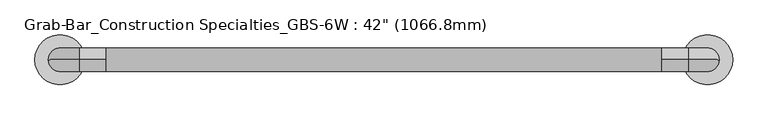
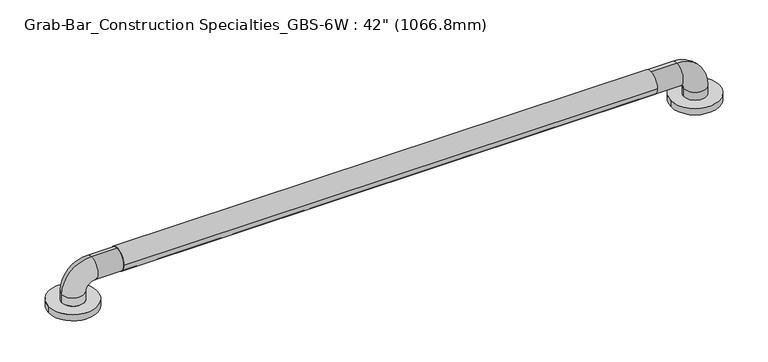
"""IFC4 building model written with IfcOpenShell, lengths in millimetres: proxy geometry."""

import ifcopenshell
import ifcopenshell.guid

model = None  # the IFC model being written
_history = None  # IfcOwnerHistory: only IFC2X3 demands one
_inside = {}  # id of a spatial element -> (the spatial element, [elements in it])
_under = {}  # id of a project, library or spatial element -> (it, [spatial elements below it])
_declared = {}  # id of a project -> (the project, [libraries it declares])
_typed = {}  # id of a type object -> (the type object, [elements of that type])
_made_of = {}  # id of a material, layer set ... -> (it, [elements and type objects made of it])


def new_model(schema):
    """Start an empty IFC model of exactly this schema.

    Asked for "IFC4X3", IfcOpenShell would pick the latest addendum, in which some entities
    have other attributes; the version numbers below select the first issue.
    IFC2X3 requires an IfcOwnerHistory on every rooted entity: one is made here for all.
    """
    global model, _history
    if schema == "IFC4X3":
        model = ifcopenshell.file(schema_version=(4, 3, 0, 0))
    else:
        model = ifcopenshell.file(schema=schema)
    _inside.clear()
    _under.clear()
    _declared.clear()
    _typed.clear()
    _made_of.clear()
    _history = None
    if model.schema == "IFC2X3":
        org = make("IfcOrganization", Name="unknown")
        user = make(
            "IfcPersonAndOrganization",
            ThePerson=make("IfcPerson", FamilyName="unknown"),
            TheOrganization=org,
        )
        app = make(
            "IfcApplication",
            ApplicationDeveloper=org,
            Version="unknown",
            ApplicationFullName="unknown",
            ApplicationIdentifier="unknown",
        )
        _history = make(
            "IfcOwnerHistory",
            OwningUser=user,
            OwningApplication=app,
            ChangeAction="ADDED",
            CreationDate=0,
        )
    return model


def make(cls, **values):
    """One entity of the class cls with the attributes given. An attribute that is None is left unset."""
    return model.create_entity(
        cls, **{name: value for name, value in values.items() if value is not None}
    )


def rooted(cls, **values):
    """An entity with a GlobalId (a new one), such as an element, a storey or a relation."""
    return make(cls, GlobalId=ifcopenshell.guid.new(), OwnerHistory=_history, **values)


def si_unit(unit_type, name, prefix=None):
    """IfcSIUnit, for example si_unit("LENGTHUNIT", "METRE", prefix="MILLI")."""
    return make("IfcSIUnit", UnitType=unit_type, Prefix=prefix, Name=name)


def assignment(units):
    """IfcUnitAssignment: the units of a project."""
    return None if units is None else make("IfcUnitAssignment", Units=units)


def point(xyz):
    """IfcCartesianPoint."""
    return None if xyz is None else make("IfcCartesianPoint", Coordinates=xyz)


def direction(xyz):
    """IfcDirection."""
    return None if xyz is None else make("IfcDirection", DirectionRatios=xyz)


def frame(location, z_axis=None, x_axis=None):
    """IfcAxis2Placement3D, a coordinate frame: its origin and axes. An axis left out is left unset."""
    return make(
        "IfcAxis2Placement3D",
        Location=point(location),
        Axis=direction(z_axis),
        RefDirection=direction(x_axis),
    )


def frame_2d(location, x_axis=None):
    """IfcAxis2Placement2D, a coordinate frame in the plane: its origin and x axis."""
    return make(
        "IfcAxis2Placement2D", Location=point(location), RefDirection=direction(x_axis)
    )


def origin():
    """The frame at (0, 0, 0) with its axes left unset."""
    return frame((0.0, 0.0, 0.0))


def origin_with_axes():
    """The frame at (0, 0, 0) with the z axis (0, 0, 1) and the x axis (1, 0, 0) written out."""
    return frame((0.0, 0.0, 0.0), z_axis=(0.0, 0.0, 1.0), x_axis=(1.0, 0.0, 0.0))


def place(relative_to, where):
    """IfcLocalPlacement: puts the frame where relative to a parent placement (None: the world)."""
    return make(
        "IfcLocalPlacement", PlacementRelTo=relative_to, RelativePlacement=where
    )


def context(
    kind, dimensions, precision=None, world=None, true_north=None, identifier=None
):
    """IfcGeometricRepresentationContext, for example the 3D "Model" context."""
    return make(
        "IfcGeometricRepresentationContext",
        ContextIdentifier=identifier,
        ContextType=kind,
        CoordinateSpaceDimension=dimensions,
        Precision=precision,
        WorldCoordinateSystem=world,
        TrueNorth=true_north,
    )


def project(units=None, contexts=None):
    """IfcProject with its units and contexts."""
    return rooted(
        "IfcProject",
        Name="project",
        RepresentationContexts=contexts,
        UnitsInContext=assignment(units),
    )


def spatial(cls, under=None, at=None, **own):
    """A site, building, storey or space (cls), placed at a placement, below another one or the project."""
    s = rooted(cls, ObjectPlacement=at, **own)
    if under is not None:
        _under.setdefault(under.id(), (under, []))[1].append(s)
    return s


def circle_curve(where, radius):
    """IfcCircle in the frame where."""
    return make("IfcCircle", Position=where, Radius=radius)


def ellipse_curve(where, semi_axis1, semi_axis2):
    """IfcEllipse in the frame where."""
    return make(
        "IfcEllipse", Position=where, SemiAxis1=semi_axis1, SemiAxis2=semi_axis2
    )


def trimmed(basis, trim1, trim2, sense, master):
    """IfcTrimmedCurve: the piece of a basis curve between two trims."""
    return make(
        "IfcTrimmedCurve",
        BasisCurve=basis,
        Trim1=trim1,
        Trim2=trim2,
        SenseAgreement=sense,
        MasterRepresentation=master,
    )


def segment(curve, same_sense, transition):
    """IfcCompositeCurveSegment."""
    return make(
        "IfcCompositeCurveSegment",
        Transition=transition,
        SameSense=same_sense,
        ParentCurve=curve,
    )


def composite_curve(segments, self_intersect=None):
    """IfcCompositeCurve: segments joined end to end."""
    return make("IfcCompositeCurve", Segments=segments, SelfIntersect=self_intersect)


def outline(outer, holes=None, kind="AREA"):
    """IfcArbitraryClosedProfileDef: a profile drawn as a closed curve; with holes, ...WithVoids."""
    if holes is None:
        return make("IfcArbitraryClosedProfileDef", ProfileType=kind, OuterCurve=outer)
    return make(
        "IfcArbitraryProfileDefWithVoids",
        ProfileType=kind,
        OuterCurve=outer,
        InnerCurves=holes,
    )


def extrude(swept, where, along, depth):
    """IfcExtrudedAreaSolid: the profile swept, set in the frame where, extruded along a direction by depth."""
    return make(
        "IfcExtrudedAreaSolid",
        SweptArea=swept,
        Position=where,
        ExtrudedDirection=direction(along),
        Depth=depth,
    )


def shape(context_of_items, identifier, shape_type, items):
    """IfcShapeRepresentation: the items that make up one representation, for example the "Body"."""
    return make(
        "IfcShapeRepresentation",
        ContextOfItems=context_of_items,
        RepresentationIdentifier=identifier,
        RepresentationType=shape_type,
        Items=items,
    )


def source(mapping_origin, context_of_items, identifier, shape_type, items):
    """IfcRepresentationMap: a shape defined once, which mapped items show again and again."""
    return make(
        "IfcRepresentationMap",
        MappingOrigin=mapping_origin,
        MappedRepresentation=shape(context_of_items, identifier, shape_type, items),
    )


def transform(
    local_origin,
    x_axis=None,
    y_axis=None,
    z_axis=None,
    scale=None,
    scale2=None,
    scale3=None,
    uniform=True,
):
    """IfcCartesianTransformationOperator3D, or its non-uniform kind. x_axis, y_axis, z_axis: its Axis1, 2, 3."""
    if uniform:
        return make(
            "IfcCartesianTransformationOperator3D",
            Axis1=direction(x_axis),
            Axis2=direction(y_axis),
            LocalOrigin=point(local_origin),
            Scale=scale,
            Axis3=direction(z_axis),
        )
    return make(
        "IfcCartesianTransformationOperator3DnonUniform",
        Axis1=direction(x_axis),
        Axis2=direction(y_axis),
        LocalOrigin=point(local_origin),
        Scale=scale,
        Axis3=direction(z_axis),
        Scale2=scale2,
        Scale3=scale3,
    )


def mapped(mapping_source, mapping_target):
    """IfcMappedItem: shows the shape of a source again, moved by a transform."""
    return make(
        "IfcMappedItem", MappingSource=mapping_source, MappingTarget=mapping_target
    )


def made_of(thing, what):
    """Note that an element or type object is made of a material, layer set ...; save() writes the relation."""
    if what is not None:
        _made_of.setdefault(what.id(), (what, []))[1].append(thing)
    return thing


def element(
    cls,
    number,
    at=None,
    inside=None,
    cuts=None,
    type_object=None,
    material=None,
    context=None,
    identifier="Body",
    shape_type=None,
    held_by="IfcProductDefinitionShape",
    body=None,
    shapes=None,
    **own,
):
    """One element of the class cls, such as IfcWall. Its Tag is "e" and its number.

    at: its placement. inside: the storey or other place that contains it. cuts: it is an
    opening in that element (IfcRelVoidsElement). A single representation is given by context,
    identifier, shape_type and body (its items); several are given by shapes. held_by: the class
    of the entity that holds the representations. save() writes the other relations.
    """
    e = rooted(cls, Tag="e%d" % number, ObjectPlacement=at, **own)
    if body is not None:
        shapes = [shape(context, identifier, shape_type, body)]
    if shapes is not None:
        e.Representation = make(held_by, Representations=shapes)
    if inside is not None:
        _inside.setdefault(inside.id(), (inside, []))[1].append(e)
    if cuts is not None:
        rooted(
            "IfcRelVoidsElement", RelatingBuildingElement=cuts, RelatedOpeningElement=e
        )
    if type_object is not None:
        _typed.setdefault(type_object.id(), (type_object, []))[1].append(e)
    return made_of(e, material)


def aggregate(whole, parts):
    """IfcRelAggregates: a whole, such as a stair, and the parts it consists of."""
    return rooted("IfcRelAggregates", RelatingObject=whole, RelatedObjects=parts)


def save(model, path):
    """Write the relations noted so far, then the file.

    IfcRelAggregates (storeys below a building ...), IfcRelContainedInSpatialStructure (elements
    in a storey), IfcRelDefinesByType, IfcRelAssociatesMaterial and IfcRelDeclares: one each for
    every whole, place, type object, material and project.
    """
    for whole, parts in _under.values():
        aggregate(whole, parts)
    for where, things in _inside.values():
        rooted(
            "IfcRelContainedInSpatialStructure",
            RelatedElements=things,
            RelatingStructure=where,
        )
    for kind, things in _typed.values():
        rooted("IfcRelDefinesByType", RelatedObjects=things, RelatingType=kind)
    for what, things in _made_of.values():
        rooted("IfcRelAssociatesMaterial", RelatedObjects=things, RelatingMaterial=what)
    for by, libraries in _declared.values():
        rooted("IfcRelDeclares", RelatingContext=by, RelatedDefinitions=libraries)
    model.write(path)


def plane_surface(at):
    """IfcPlane: the flat surface through the origin of the frame at, square to its z axis."""
    return make("IfcPlane", Position=at)


def cylinder_surface(at, radius):
    """IfcCylindricalSurface: all points at the distance radius from the z axis of the frame at."""
    return make("IfcCylindricalSurface", Position=at, Radius=radius)


def revolved_surface(curve, axis_point, axis_direction):
    """IfcSurfaceOfRevolution: the curve turned about the line through axis_point along axis_direction."""
    return make(
        "IfcSurfaceOfRevolution",
        SweptCurve=make("IfcArbitraryOpenProfileDef", ProfileType="CURVE", Curve=curve),
        AxisPosition=make("IfcAxis1Placement", Location=point(axis_point), Axis=direction(axis_direction)),
    )


def advanced_brep(points, edges, surfaces, faces):
    """IfcAdvancedBrep: a solid bounded by faces that lie on surfaces and meet in shared edges.

    An edge is (start, end): straight between two places in points (the first is 0);
    or (start, end, curve); or (start, end, curve, False) where it runs against its curve.
    A face is (place in surfaces, loops), or (place, loops, False) where it looks against
    its surface's normal. A loop lists edges by number (the first is 1), with a minus sign
    where the edge is run from its end to its start. The first loop is the outer one.
    """
    corners = [point(p) for p in points]
    vertices = [make("IfcVertexPoint", VertexGeometry=c) for c in corners]
    made = []
    for start, end, *more in edges:
        made.append(
            make(
                "IfcEdgeCurve",
                EdgeStart=vertices[start],
                EdgeEnd=vertices[end],
                EdgeGeometry=more[0] if more else make("IfcPolyline", Points=[corners[start], corners[end]]),
                SameSense=more[1] if len(more) > 1 else True,
            )
        )
    hull = []
    for where, loops, *sense in faces:
        bounds = []
        for j, loop in enumerate(loops):
            ring = [make("IfcOrientedEdge", EdgeElement=made[abs(k) - 1], Orientation=k > 0) for k in loop]
            bounds.append(
                make(
                    "IfcFaceOuterBound" if j == 0 else "IfcFaceBound",
                    Bound=make("IfcEdgeLoop", EdgeList=ring),
                    Orientation=True,
                )
            )
        hull.append(make("IfcAdvancedFace", Bounds=bounds, FaceSurface=surfaces[where], SameSense=sense[0] if sense else True))
    return make("IfcAdvancedBrep", Outer=make("IfcClosedShell", CfsFaces=hull))


def proxy_c641521e(model_context):
    return source(origin(), model_context, "Body", "SolidModel", [
        extrude(outline(composite_curve([segment(trimmed(circle_curve(frame_2d((0.0005302, 57.1682565)), 19.4479458), [point((-19.4474155, 57.1682565))], [point((19.448476, 57.1682565))], False, "CARTESIAN"), True, "CONTINUOUS"), segment(trimmed(circle_curve(frame_2d((0.0005302, 57.1682565)), 19.4479458), [point((19.448476, 57.1682565))], [point((-19.4474155, 57.1682565))], False, "CARTESIAN"), True, "CONTINUOUS")], self_intersect=False)), frame((76.2, 0.0, 0.0), z_axis=(1.0, 0.0, 0.0), x_axis=(0.0, 1.0, 0.0)), (0.0, 0.0, 1.0), 914.4),
        advanced_brep(
        [(-41.3010856, 0.0, 0.0), (41.3010856, 0.0, 0.0), (1025.4989144, 0.0, 0.0), (1108.1010856, 0.0, 0.0), (19.05, 0.0, 25.4), (-19.05, 0.0, 25.4), (-19.05, 0.0, 11.1125), (19.05, 0.0, 11.1125), (31.75, 0.0, 38.1), (31.75, 0.0, 76.2), (1035.05, 0.0, 38.1), (1035.05, 0.0, 76.2), (1047.75, 0.0, 25.4), (1085.85, 0.0, 25.4), (1047.75, 0.0, 11.1125), (1085.85, 0.0, 11.1125), (-41.3010856, 0.0, 11.1125), (41.3010856, 0.0, 11.1125), (1025.4989144, 0.0, 11.1125), (1108.1010856, 0.0, 11.1125)],
        [
            (0, 1, circle_curve(frame((0.0, 0.0, 0.0), z_axis=(0.0, 0.0, -1.0), x_axis=(1.0, 0.0, 0.0)), 41.3010856)),
            (1, 0, circle_curve(frame((0.0, 0.0, 0.0), z_axis=(0.0, 0.0, -1.0), x_axis=(1.0, 0.0, 0.0)), 41.3010856)),
            (2, 3, circle_curve(frame((1066.8, 0.0, 0.0), z_axis=(0.0, 0.0, -1.0), x_axis=(1.0, 0.0, 0.0)), 41.3010856)),
            (3, 2, circle_curve(frame((1066.8, 0.0, 0.0), z_axis=(0.0, 0.0, -1.0), x_axis=(1.0, 0.0, 0.0)), 41.3010856)),
            (4, 5, circle_curve(frame((0.0, 0.0, 25.4), z_axis=(0.0, 0.0, -1.0), x_axis=(-1.0, 0.0, 0.0)), 19.05)),
            (5, 6),
            (6, 7, circle_curve(frame((0.0, 0.0, 11.1125), z_axis=(0.0, 0.0, 1.0), x_axis=(-1.0, 0.0, 0.0)), 19.05)),
            (7, 4),
            (5, 4, circle_curve(frame((0.0, 0.0, 25.4), z_axis=(0.0, 0.0, -1.0), x_axis=(-1.0, 0.0, 0.0)), 19.05)),
            (7, 6, circle_curve(frame((0.0, 0.0, 11.1125), z_axis=(0.0, 0.0, 1.0), x_axis=(-1.0, 0.0, 0.0)), 19.05)),
            (4, 8, circle_curve(frame((31.75, 0.0, 25.4), z_axis=(0.0, 1.0, 0.0), x_axis=(-1.0, 0.0, 0.0)), 12.7)),
            (8, 9, circle_curve(frame((31.75, 0.0, 57.15), z_axis=(-1.0, 0.0, 0.0), x_axis=(0.0, 0.0, 1.0)), 19.05)),
            (9, 5, circle_curve(frame((31.75, 0.0, 25.4), z_axis=(0.0, -1.0, 0.0), x_axis=(-1.0, 0.0, 0.0)), 50.8)),
            (9, 8, circle_curve(frame((31.75, 0.0, 57.15), z_axis=(-1.0, 0.0, 0.0), x_axis=(0.0, 0.0, 1.0)), 19.05)),
            (8, 10),
            (10, 11, circle_curve(frame((1035.05, 0.0, 57.15), z_axis=(-1.0, 0.0, 0.0), x_axis=(0.0, 0.0, 1.0)), 19.05)),
            (11, 9),
            (11, 10, circle_curve(frame((1035.05, 0.0, 57.15), z_axis=(-1.0, 0.0, 0.0), x_axis=(0.0, 0.0, 1.0)), 19.05)),
            (10, 12, circle_curve(frame((1035.05, 0.0, 25.4), z_axis=(0.0, 1.0, 0.0), x_axis=(0.0, 0.0, 1.0)), 12.7)),
            (12, 13, circle_curve(frame((1066.8, 0.0, 25.4), z_axis=(0.0, 0.0, 1.0), x_axis=(1.0, 0.0, 0.0)), 19.05)),
            (13, 11, circle_curve(frame((1035.05, 0.0, 25.4), z_axis=(0.0, -1.0, 0.0), x_axis=(0.0, 0.0, 1.0)), 50.8)),
            (13, 12, circle_curve(frame((1066.8, 0.0, 25.4), z_axis=(0.0, 0.0, 1.0), x_axis=(1.0, 0.0, 0.0)), 19.05)),
            (12, 14),
            (14, 15, circle_curve(frame((1066.8, 0.0, 11.1125), z_axis=(0.0, 0.0, 1.0), x_axis=(1.0, 0.0, 0.0)), 19.05)),
            (15, 13),
            (15, 14, circle_curve(frame((1066.8, 0.0, 11.1125), z_axis=(0.0, 0.0, 1.0), x_axis=(1.0, 0.0, 0.0)), 19.05)),
            (16, 17, circle_curve(frame((0.0, 0.0, 11.1125), z_axis=(0.0, 0.0, 1.0), x_axis=(1.0, 0.0, 0.0)), 41.3010856)),
            (17, 16, circle_curve(frame((0.0, 0.0, 11.1125), z_axis=(0.0, 0.0, 1.0), x_axis=(1.0, 0.0, 0.0)), 41.3010856)),
            (18, 19, circle_curve(frame((1066.8, 0.0, 11.1125), z_axis=(0.0, 0.0, 1.0), x_axis=(1.0, 0.0, 0.0)), 41.3010856)),
            (19, 18, circle_curve(frame((1066.8, 0.0, 11.1125), z_axis=(0.0, 0.0, 1.0), x_axis=(1.0, 0.0, 0.0)), 41.3010856)),
            (16, 0),
            (1, 17),
            (18, 2),
            (3, 19),
        ],
        [
            plane_surface(frame((0.0, 0.0, 0.0), z_axis=(0.0, 0.0, -1.0), x_axis=(0.0, -1.0, 0.0))),
            cylinder_surface(frame((0.0, 0.0, 0.0), z_axis=(0.0, 0.0, -1.0), x_axis=(-1.0, 0.0, 0.0)), 19.05),
            revolved_surface(trimmed(ellipse_curve(frame((0.0, 0.0, 25.4), z_axis=(0.0, 0.0, -1.0), x_axis=(-1.0, 0.0, 0.0)), 19.05, 19.05), [point((19.05, 0.0, 25.4))], [point((-19.05, 0.0, 25.4))], True, "CARTESIAN"), (31.75, 0.0, 25.4), (0.0, 1.0, 0.0)),
            revolved_surface(trimmed(ellipse_curve(frame((0.0, 0.0, 25.4), z_axis=(0.0, 0.0, -1.0), x_axis=(-1.0, 0.0, 0.0)), 19.05, 19.05), [point((-19.05, 0.0, 25.4))], [point((19.05, 0.0, 25.4))], True, "CARTESIAN"), (31.75, 0.0, 25.4), (0.0, 1.0, 0.0)),
            cylinder_surface(frame((31.75, 0.0, 57.15), z_axis=(-1.0, 0.0, 0.0), x_axis=(0.0, 0.0, 1.0)), 19.05),
            revolved_surface(trimmed(ellipse_curve(frame((1035.05, 0.0, 57.15), z_axis=(-1.0, 0.0, 0.0), x_axis=(0.0, 0.0, 1.0)), 19.05, 19.05), [point((1035.05, 0.0, 38.1))], [point((1035.05, 0.0, 76.2))], True, "CARTESIAN"), (1035.05, 0.0, 25.4), (0.0, 1.0, 0.0)),
            revolved_surface(trimmed(ellipse_curve(frame((1035.05, 0.0, 57.15), z_axis=(-1.0, 0.0, 0.0), x_axis=(0.0, 0.0, 1.0)), 19.05, 19.05), [point((1035.05, 0.0, 76.2))], [point((1035.05, 0.0, 38.1))], True, "CARTESIAN"), (1035.05, 0.0, 25.4), (0.0, 1.0, 0.0)),
            cylinder_surface(frame((1066.8, 0.0, 25.4), z_axis=(0.0, 0.0, 1.0), x_axis=(1.0, 0.0, 0.0)), 19.05),
            plane_surface(frame((41.3010856, 0.0, 11.1125), z_axis=(0.0, 0.0, 1.0), x_axis=(0.0, 1.0, 0.0))),
            cylinder_surface(origin_with_axes(), 41.3010856),
            cylinder_surface(frame((1066.8, 0.0, 0.0), z_axis=(0.0, 0.0, 1.0), x_axis=(1.0, 0.0, 0.0)), 41.3010856),
        ],
        [
            (0, [[1, 2]]),
            (0, [[3, 4]]),
            (1, [[5, 6, 7, 8]]),
            (1, [[9, -8, 10, -6]]),
            (2, [[-5, 11, 12, 13]]),
            (3, [[-9, -13, 14, -11]]),
            (4, [[-12, 15, 16, 17]]),
            (4, [[-14, -17, 18, -15]]),
            (5, [[-16, 19, 20, 21]]),
            (6, [[-18, -21, 22, -19]]),
            (7, [[-20, 23, 24, 25]]),
            (7, [[-22, -25, 26, -23]]),
            (8, [[27, 28], [-7, -10]]),
            (8, [[29, 30], [-24, -26]]),
            (9, [[-27, 31, -2, 32]]),
            (9, [[-28, -32, -1, -31]]),
            (10, [[-29, 33, -4, 34]]),
            (10, [[-30, -34, -3, -33]]),
        ],
    ),
    ])


if __name__ == "__main__":
    model = new_model("IFC4")
    model_context = context("Model", 3, world=origin())
    ifc_project = project(units=[si_unit("LENGTHUNIT", "METRE", prefix="MILLI")], contexts=[model_context])
    site = spatial("IfcSite", under=ifc_project)
    building = spatial("IfcBuilding", under=site)
    placement = place(None, origin())
    proxy_shape = proxy_c641521e(model_context)
    element("IfcBuildingElementProxy", 1, Name="Grab-Bar_Construction Specialties_GBS-6W : 42\" (1066.8mm)", ObjectType="Grab-Bar_Construction Specialties_GBS-6W : 42\" (1066.8mm)", at=placement, inside=building, context=model_context, shape_type="MappedRepresentation", body=[
        mapped(proxy_shape, transform((0.0, 0.0, 0.0), x_axis=(1.0, 0.0, 0.0), y_axis=(0.0, 1.0, 0.0), z_axis=(0.0, 0.0, 1.0))),
    ])
    save(model, "model.ifc")
